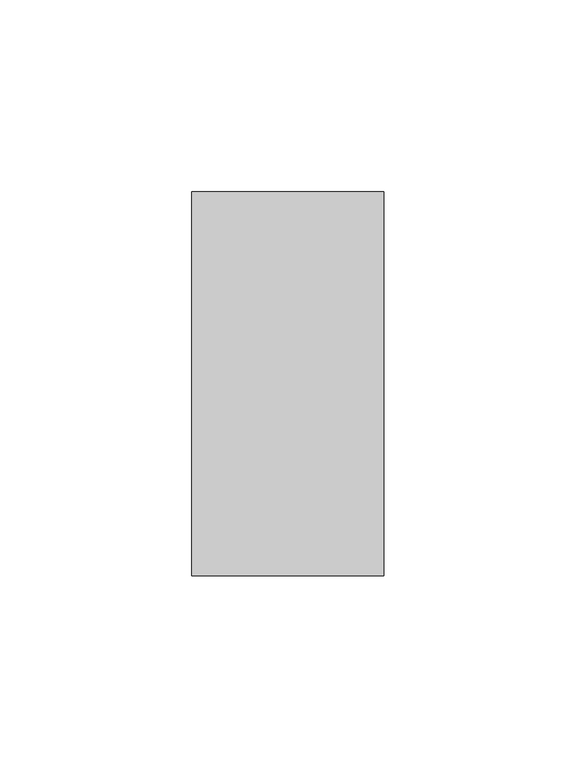
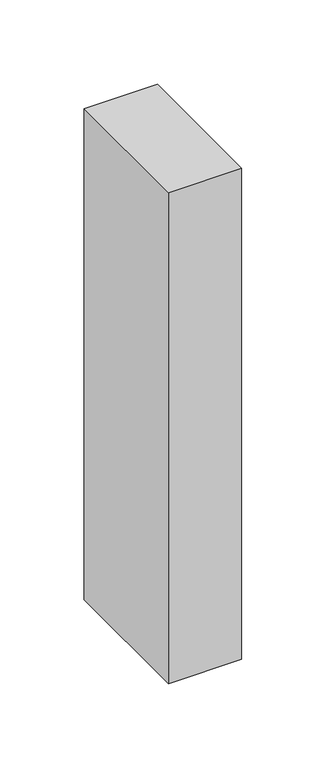
"""IFC4 building model written with IfcOpenShell, lengths in millimetres: member geometry."""

from ifc_helpers import new_model, si_unit, frame, origin, place, context, project, spatial, polyline, outline, extrude, source, transform, mapped, element, save


def member_1d5db146(model_context):
    return source(origin(), model_context, "Body", "SweptSolid", [
        extrude(outline(polyline([(0.0, 50.0), (0.0, -50.0), (-50.0, -50.0), (-50.0, 50.0), (0.0, 50.0)])), frame((0.0, 0.0, -355.0), z_axis=(0.0, 0.0, 1.0), x_axis=(1.0, 0.0, 0.0)), (0.0, 0.0, 1.0), 355.0),
    ])


if __name__ == "__main__":
    model = new_model("IFC4")
    model_context = context("Model", 3, world=origin())
    ifc_project = project(units=[si_unit("LENGTHUNIT", "METRE", prefix="MILLI")], contexts=[model_context])
    site = spatial("IfcSite", under=ifc_project)
    building = spatial("IfcBuilding", under=site)
    placement = place(None, origin())
    member_shape = member_1d5db146(model_context)
    element("IfcMember", 1, at=placement, inside=building, context=model_context, shape_type="MappedRepresentation", body=[
        mapped(member_shape, transform((0.0, 0.0, 0.0), x_axis=(1.0, 0.0, 0.0), y_axis=(0.0, 1.0, 0.0), z_axis=(0.0, 0.0, 1.0))),
    ])
    save(model, "model.ifc")
